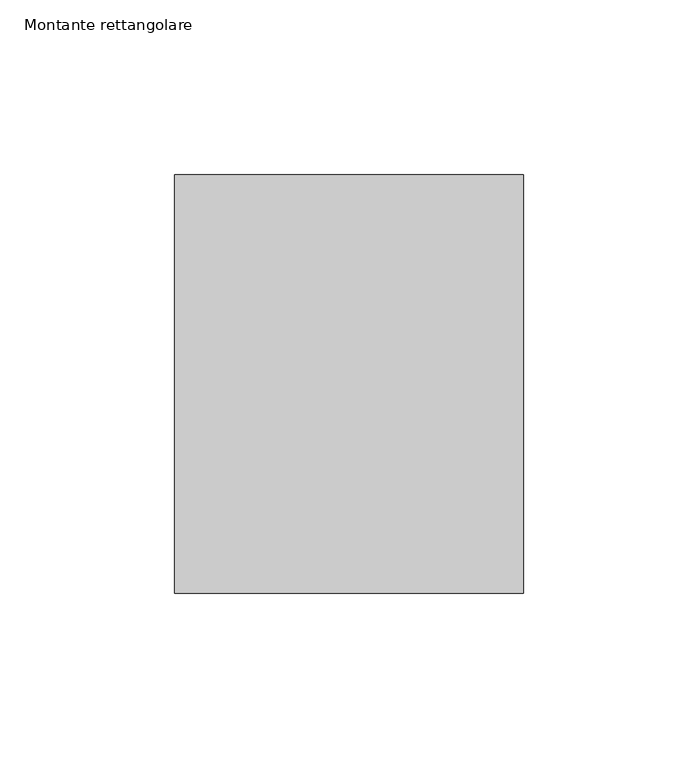
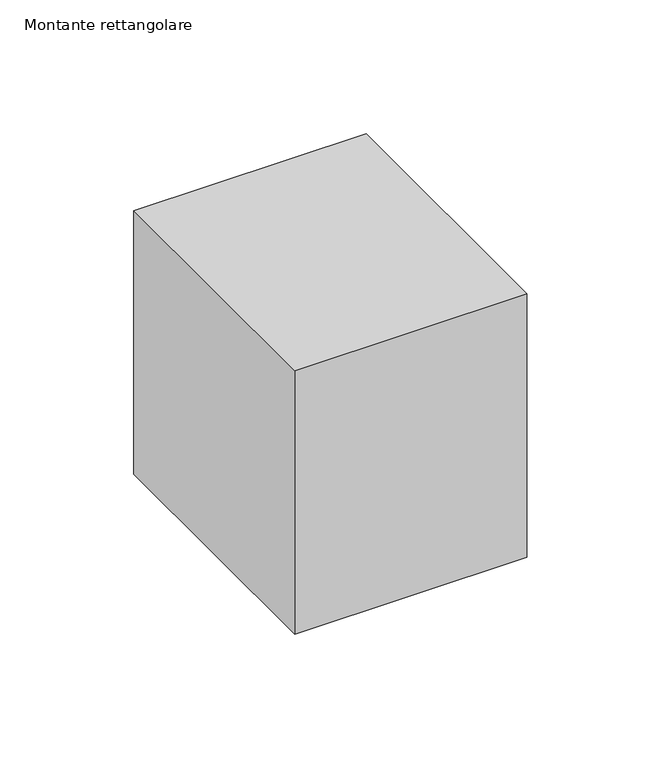
"""IFC4 building model written with IfcOpenShell, lengths in millimetres: member geometry, Montante rettangolare."""

from ifc_helpers import new_model, si_unit, frame, origin, place, context, project, spatial, polyline, outline, extrude, source, transform, mapped, element, save


def montante_rettangolare_48c2e836(model_context):
    return source(origin(), model_context, "Body", "SweptSolid", [
        extrude(outline(polyline([(50.0, 60.0), (50.0, -60.0), (-50.0, -60.0), (-50.0, 60.0), (50.0, 60.0)])), frame((0.0, 0.0, -120.0), z_axis=(0.0, 0.0, 1.0), x_axis=(1.0, 0.0, 0.0)), (0.0, 0.0, 1.0), 120.0),
    ])


if __name__ == "__main__":
    model = new_model("IFC4")
    model_context = context("Model", 3, world=origin())
    ifc_project = project(units=[si_unit("LENGTHUNIT", "METRE", prefix="MILLI")], contexts=[model_context])
    site = spatial("IfcSite", under=ifc_project)
    building = spatial("IfcBuilding", under=site)
    placement = place(None, origin())
    montante_rettangolare_shape = montante_rettangolare_48c2e836(model_context)
    element("IfcMember", 1, ObjectType="Montante rettangolare", at=placement, inside=building, context=model_context, shape_type="MappedRepresentation", body=[
        mapped(montante_rettangolare_shape, transform((0.0, 0.0, 0.0), x_axis=(1.0, 0.0, 0.0), y_axis=(0.0, 1.0, 0.0), z_axis=(0.0, 0.0, 1.0))),
    ])
    save(model, "model.ifc")
